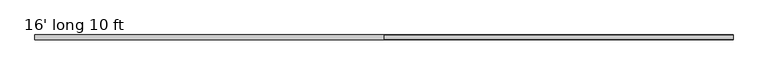
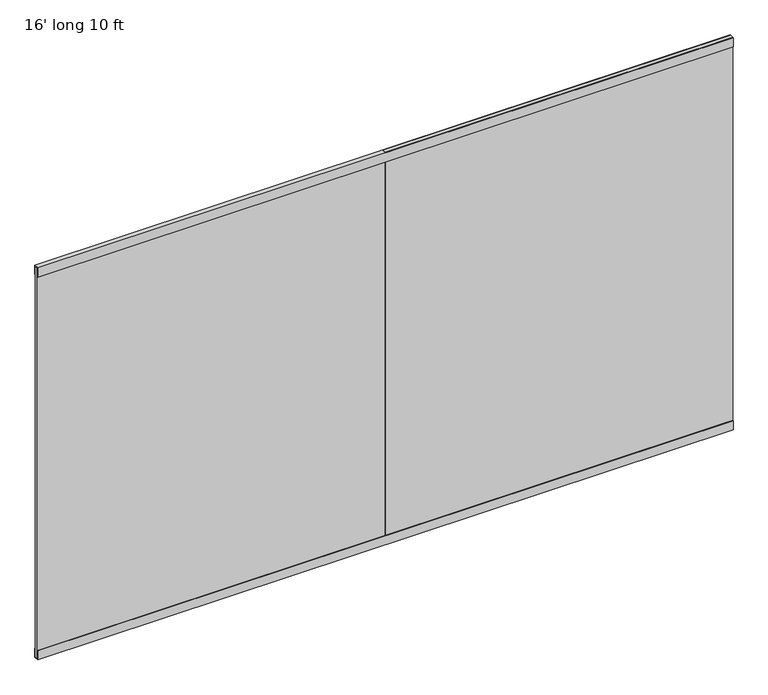
"""IFC4 building model written with IfcOpenShell, lengths in millimetres: furniture geometry, 16' long 10 ft."""

import ifcopenshell
import ifcopenshell.guid

model = None  # the IFC model being written
_history = None  # IfcOwnerHistory: only IFC2X3 demands one
_inside = {}  # id of a spatial element -> (the spatial element, [elements in it])
_under = {}  # id of a project, library or spatial element -> (it, [spatial elements below it])
_declared = {}  # id of a project -> (the project, [libraries it declares])
_typed = {}  # id of a type object -> (the type object, [elements of that type])
_made_of = {}  # id of a material, layer set ... -> (it, [elements and type objects made of it])


def new_model(schema):
    """Start an empty IFC model of exactly this schema.

    Asked for "IFC4X3", IfcOpenShell would pick the latest addendum, in which some entities
    have other attributes; the version numbers below select the first issue.
    IFC2X3 requires an IfcOwnerHistory on every rooted entity: one is made here for all.
    """
    global model, _history
    if schema == "IFC4X3":
        model = ifcopenshell.file(schema_version=(4, 3, 0, 0))
    else:
        model = ifcopenshell.file(schema=schema)
    _inside.clear()
    _under.clear()
    _declared.clear()
    _typed.clear()
    _made_of.clear()
    _history = None
    if model.schema == "IFC2X3":
        org = make("IfcOrganization", Name="unknown")
        user = make(
            "IfcPersonAndOrganization",
            ThePerson=make("IfcPerson", FamilyName="unknown"),
            TheOrganization=org,
        )
        app = make(
            "IfcApplication",
            ApplicationDeveloper=org,
            Version="unknown",
            ApplicationFullName="unknown",
            ApplicationIdentifier="unknown",
        )
        _history = make(
            "IfcOwnerHistory",
            OwningUser=user,
            OwningApplication=app,
            ChangeAction="ADDED",
            CreationDate=0,
        )
    return model


def make(cls, **values):
    """One entity of the class cls with the attributes given. An attribute that is None is left unset."""
    return model.create_entity(
        cls, **{name: value for name, value in values.items() if value is not None}
    )


def rooted(cls, **values):
    """An entity with a GlobalId (a new one), such as an element, a storey or a relation."""
    return make(cls, GlobalId=ifcopenshell.guid.new(), OwnerHistory=_history, **values)


def si_unit(unit_type, name, prefix=None):
    """IfcSIUnit, for example si_unit("LENGTHUNIT", "METRE", prefix="MILLI")."""
    return make("IfcSIUnit", UnitType=unit_type, Prefix=prefix, Name=name)


def assignment(units):
    """IfcUnitAssignment: the units of a project."""
    return None if units is None else make("IfcUnitAssignment", Units=units)


def point(xyz):
    """IfcCartesianPoint."""
    return None if xyz is None else make("IfcCartesianPoint", Coordinates=xyz)


def direction(xyz):
    """IfcDirection."""
    return None if xyz is None else make("IfcDirection", DirectionRatios=xyz)


def frame(location, z_axis=None, x_axis=None):
    """IfcAxis2Placement3D, a coordinate frame: its origin and axes. An axis left out is left unset."""
    return make(
        "IfcAxis2Placement3D",
        Location=point(location),
        Axis=direction(z_axis),
        RefDirection=direction(x_axis),
    )


def origin():
    """The frame at (0, 0, 0) with its axes left unset."""
    return frame((0.0, 0.0, 0.0))


def place(relative_to, where):
    """IfcLocalPlacement: puts the frame where relative to a parent placement (None: the world)."""
    return make(
        "IfcLocalPlacement", PlacementRelTo=relative_to, RelativePlacement=where
    )


def context(
    kind, dimensions, precision=None, world=None, true_north=None, identifier=None
):
    """IfcGeometricRepresentationContext, for example the 3D "Model" context."""
    return make(
        "IfcGeometricRepresentationContext",
        ContextIdentifier=identifier,
        ContextType=kind,
        CoordinateSpaceDimension=dimensions,
        Precision=precision,
        WorldCoordinateSystem=world,
        TrueNorth=true_north,
    )


def project(units=None, contexts=None):
    """IfcProject with its units and contexts."""
    return rooted(
        "IfcProject",
        Name="project",
        RepresentationContexts=contexts,
        UnitsInContext=assignment(units),
    )


def spatial(cls, under=None, at=None, **own):
    """A site, building, storey or space (cls), placed at a placement, below another one or the project."""
    s = rooted(cls, ObjectPlacement=at, **own)
    if under is not None:
        _under.setdefault(under.id(), (under, []))[1].append(s)
    return s


def polyline(points):
    """IfcPolyline through the points."""
    return make("IfcPolyline", Points=[point(p) for p in points])


def outline(outer, holes=None, kind="AREA"):
    """IfcArbitraryClosedProfileDef: a profile drawn as a closed curve; with holes, ...WithVoids."""
    if holes is None:
        return make("IfcArbitraryClosedProfileDef", ProfileType=kind, OuterCurve=outer)
    return make(
        "IfcArbitraryProfileDefWithVoids",
        ProfileType=kind,
        OuterCurve=outer,
        InnerCurves=holes,
    )


def extrude(swept, where, along, depth):
    """IfcExtrudedAreaSolid: the profile swept, set in the frame where, extruded along a direction by depth."""
    return make(
        "IfcExtrudedAreaSolid",
        SweptArea=swept,
        Position=where,
        ExtrudedDirection=direction(along),
        Depth=depth,
    )


def shape(context_of_items, identifier, shape_type, items):
    """IfcShapeRepresentation: the items that make up one representation, for example the "Body"."""
    return make(
        "IfcShapeRepresentation",
        ContextOfItems=context_of_items,
        RepresentationIdentifier=identifier,
        RepresentationType=shape_type,
        Items=items,
    )


def source(mapping_origin, context_of_items, identifier, shape_type, items):
    """IfcRepresentationMap: a shape defined once, which mapped items show again and again."""
    return make(
        "IfcRepresentationMap",
        MappingOrigin=mapping_origin,
        MappedRepresentation=shape(context_of_items, identifier, shape_type, items),
    )


def transform(
    local_origin,
    x_axis=None,
    y_axis=None,
    z_axis=None,
    scale=None,
    scale2=None,
    scale3=None,
    uniform=True,
):
    """IfcCartesianTransformationOperator3D, or its non-uniform kind. x_axis, y_axis, z_axis: its Axis1, 2, 3."""
    if uniform:
        return make(
            "IfcCartesianTransformationOperator3D",
            Axis1=direction(x_axis),
            Axis2=direction(y_axis),
            LocalOrigin=point(local_origin),
            Scale=scale,
            Axis3=direction(z_axis),
        )
    return make(
        "IfcCartesianTransformationOperator3DnonUniform",
        Axis1=direction(x_axis),
        Axis2=direction(y_axis),
        LocalOrigin=point(local_origin),
        Scale=scale,
        Axis3=direction(z_axis),
        Scale2=scale2,
        Scale3=scale3,
    )


def mapped(mapping_source, mapping_target):
    """IfcMappedItem: shows the shape of a source again, moved by a transform."""
    return make(
        "IfcMappedItem", MappingSource=mapping_source, MappingTarget=mapping_target
    )


def made_of(thing, what):
    """Note that an element or type object is made of a material, layer set ...; save() writes the relation."""
    if what is not None:
        _made_of.setdefault(what.id(), (what, []))[1].append(thing)
    return thing


def element(
    cls,
    number,
    at=None,
    inside=None,
    cuts=None,
    type_object=None,
    material=None,
    context=None,
    identifier="Body",
    shape_type=None,
    held_by="IfcProductDefinitionShape",
    body=None,
    shapes=None,
    **own,
):
    """One element of the class cls, such as IfcWall. Its Tag is "e" and its number.

    at: its placement. inside: the storey or other place that contains it. cuts: it is an
    opening in that element (IfcRelVoidsElement). A single representation is given by context,
    identifier, shape_type and body (its items); several are given by shapes. held_by: the class
    of the entity that holds the representations. save() writes the other relations.
    """
    e = rooted(cls, Tag="e%d" % number, ObjectPlacement=at, **own)
    if body is not None:
        shapes = [shape(context, identifier, shape_type, body)]
    if shapes is not None:
        e.Representation = make(held_by, Representations=shapes)
    if inside is not None:
        _inside.setdefault(inside.id(), (inside, []))[1].append(e)
    if cuts is not None:
        rooted(
            "IfcRelVoidsElement", RelatingBuildingElement=cuts, RelatedOpeningElement=e
        )
    if type_object is not None:
        _typed.setdefault(type_object.id(), (type_object, []))[1].append(e)
    return made_of(e, material)


def aggregate(whole, parts):
    """IfcRelAggregates: a whole, such as a stair, and the parts it consists of."""
    return rooted("IfcRelAggregates", RelatingObject=whole, RelatedObjects=parts)


def save(model, path):
    """Write the relations noted so far, then the file.

    IfcRelAggregates (storeys below a building ...), IfcRelContainedInSpatialStructure (elements
    in a storey), IfcRelDefinesByType, IfcRelAssociatesMaterial and IfcRelDeclares: one each for
    every whole, place, type object, material and project.
    """
    for whole, parts in _under.values():
        aggregate(whole, parts)
    for where, things in _inside.values():
        rooted(
            "IfcRelContainedInSpatialStructure",
            RelatedElements=things,
            RelatingStructure=where,
        )
    for kind, things in _typed.values():
        rooted("IfcRelDefinesByType", RelatedObjects=things, RelatingType=kind)
    for what, things in _made_of.values():
        rooted("IfcRelAssociatesMaterial", RelatedObjects=things, RelatingMaterial=what)
    for by, libraries in _declared.values():
        rooted("IfcRelDeclares", RelatingContext=by, RelatedDefinitions=libraries)
    model.write(path)


def furniture_16_long_10_ft_b169e500(model_context):
    return source(origin(), model_context, "Body", "SweptSolid", [
        extrude(outline(polyline([(0.0, -19.4056), (0.0, 0.0), (1841.5, 0.0), (1841.5, -19.4056), (0.0, -19.4056)])), frame((1841.5, 9.7028, 2.9972), z_axis=(0.0, -2.1727820241093372e-12, 1.0), x_axis=(1.0, 0.0, 0.0)), (0.0, 0.0, 1.0), 2191.5628),
        extrude(outline(polyline([(1841.5, 9.7028), (1841.5, -9.7028), (0.0, -9.7028), (0.0, 9.7028), (1841.5, 9.7028)])), frame((0.0, 0.0, 2.9972), z_axis=(0.0, 0.0, 1.0), x_axis=(1.0, 0.0, 0.0)), (0.0, 0.0, 1.0), 2188.5656),
        extrude(outline(polyline([(-12.7, 2194.56), (12.7, 2194.56), (12.7, 2143.76), (9.7028, 2143.76), (9.7028, 2191.5628), (-9.7028, 2191.5628), (-9.7028, 2143.76), (-12.7, 2143.76), (-12.7, 2194.56)])), frame((0.0, 0.0, 0.0), z_axis=(1.0, 0.0, 0.0), x_axis=(0.0, 1.0, 0.0)), (0.0, 0.0, 1.0), 3683.0),
        extrude(outline(polyline([(-9.7028, 50.8), (-9.7028, 2.9972), (9.7028, 2.9972), (9.7028, 50.8), (12.7, 50.8), (12.7, 0.0), (-12.7, 0.0), (-12.7, 50.8), (-9.7028, 50.8)])), frame((0.0, 0.0, 0.0), z_axis=(1.0, 0.0, 0.0), x_axis=(0.0, 1.0, 0.0)), (0.0, 0.0, 1.0), 3683.0),
    ])


if __name__ == "__main__":
    model = new_model("IFC4")
    model_context = context("Model", 3, world=origin())
    ifc_project = project(units=[si_unit("LENGTHUNIT", "METRE", prefix="MILLI")], contexts=[model_context])
    site = spatial("IfcSite", under=ifc_project)
    building = spatial("IfcBuilding", under=site)
    placement = place(None, origin())
    furniture_16_long_10_ft_shape = furniture_16_long_10_ft_b169e500(model_context)
    element("IfcFurniture", 1, ObjectType="16' long 10 ft", at=placement, inside=building, context=model_context, shape_type="MappedRepresentation", body=[
        mapped(furniture_16_long_10_ft_shape, transform((0.0, 0.0, 0.0), x_axis=(1.0, 0.0, 0.0), y_axis=(0.0, 1.0, 0.0), z_axis=(0.0, 0.0, 1.0))),
    ])
    save(model, "model.ifc")
